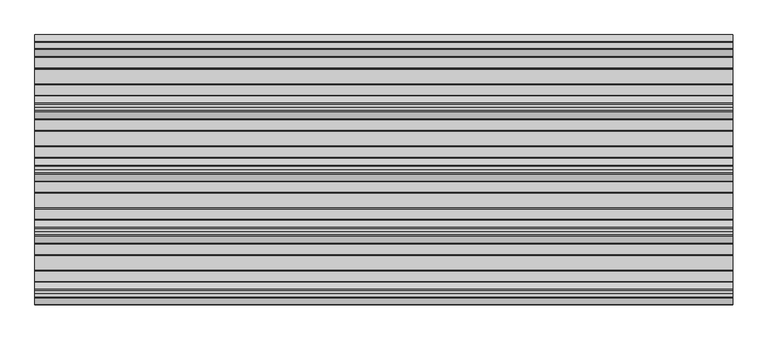
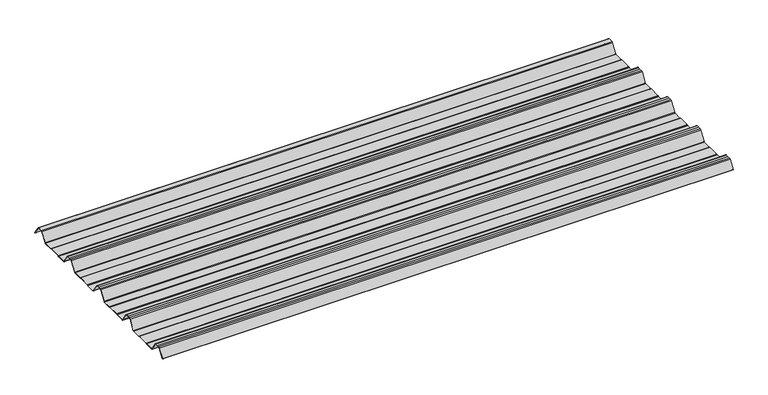
"""IFC4 building model written with IfcOpenShell, lengths in millimetres: beam geometry."""

from ifc_helpers import new_model, si_unit, point, frame, frame_2d, origin, place, context, project, spatial, polyline, circle_curve, trimmed, segment, composite_curve, outline, extrude, source, transform, mapped, element, save


def beam_cf137caa(model_context):
    return source(origin(), model_context, "Body", "SweptSolid", [
        extrude(outline(composite_curve([segment(trimmed(circle_curve(frame_2d((-42.8221294, -22.7927378)), 1.9969096), [point((-42.8221294, -24.7896475))], [point((-41.1570881, -23.8951378))], True, "CARTESIAN"), True, "CONTINUOUS"), segment(polyline([(-41.1570881, -23.8951378), (-15.2135106, 15.2894853)]), True, "CONTINUOUS"), segment(trimmed(circle_curve(frame_2d((-11.5, 12.6603525)), 4.55), [point((-15.2135106, 15.2894853))], [point((-11.5, 17.2103525))], False, "CARTESIAN"), True, "CONTINUOUS"), segment(polyline([(-11.5, 17.2103525), (11.5, 17.2103525)]), True, "CONTINUOUS"), segment(trimmed(circle_curve(frame_2d((11.5, 12.6603525)), 4.55), [point((11.5, 17.2103525))], [point((15.2135106, 15.2894853))], False, "CARTESIAN"), True, "CONTINUOUS"), segment(polyline([(15.2135106, 15.2894853), (40.2177712, -22.4764137)]), True, "CONTINUOUS"), segment(trimmed(circle_curve(frame_2d((39.8008667, -22.7524402)), 0.5), [point((40.2177712, -22.4764137))], [point((39.3839622, -23.0284667))], False, "CARTESIAN"), True, "CONTINUOUS"), segment(polyline([(39.3839622, -23.0284667), (14.3888612, 14.7235977)]), True, "CONTINUOUS"), segment(trimmed(circle_curve(frame_2d((11.5, 12.6603525)), 3.55), [point((14.3888612, 14.7235977))], [point((11.5, 16.2103525))], True, "CARTESIAN"), True, "CONTINUOUS"), segment(polyline([(11.5, 16.2103525), (-11.5, 16.2103525)]), True, "CONTINUOUS"), segment(trimmed(circle_curve(frame_2d((-11.5, 12.6603525)), 3.55), [point((-11.5, 16.2103525))], [point((-14.3888612, 14.7235977))], True, "CARTESIAN"), True, "CONTINUOUS"), segment(polyline([(-14.3888612, 14.7235977), (-40.3232791, -24.4471908)]), True, "CONTINUOUS"), segment(trimmed(circle_curve(frame_2d((-42.8221294, -22.7927378)), 2.9969096), [point((-40.3232791, -24.4471908))], [point((-42.8221294, -25.7896475))], False, "CARTESIAN"), True, "CONTINUOUS"), segment(polyline([(-42.8221294, -25.7896475), (-85.388552, -25.7896475)]), True, "CONTINUOUS"), segment(trimmed(circle_curve(frame_2d((-85.388552, -24.3396475)), 1.45), [point((-85.388552, -25.7896475))], [point((-86.3205937, -25.4504122))], False, "CARTESIAN"), True, "CONTINUOUS"), segment(polyline([(-86.3205937, -25.4504122), (-87.5888326, -24.386234)]), True, "CONTINUOUS"), segment(trimmed(circle_curve(frame_2d((-89.2279412, -26.3396487)), 2.5500012), [point((-87.5888326, -24.386234))], [point((-89.2279412, -23.7896475))], True, "CARTESIAN"), True, "CONTINUOUS"), segment(polyline([(-89.2279412, -23.7896475), (-143.2720588, -23.7896475)]), True, "CONTINUOUS"), segment(trimmed(circle_curve(frame_2d((-143.2720588, -26.3396487)), 2.5500012), [point((-143.2720588, -23.7896475))], [point((-144.9111674, -24.386234))], True, "CARTESIAN"), True, "CONTINUOUS"), segment(polyline([(-144.9111674, -24.386234), (-146.1794063, -25.4504122)]), True, "CONTINUOUS"), segment(trimmed(circle_curve(frame_2d((-147.111448, -24.3396475)), 1.45), [point((-146.1794063, -25.4504122))], [point((-147.111448, -25.7896475))], False, "CARTESIAN"), True, "CONTINUOUS"), segment(polyline([(-147.111448, -25.7896475), (-186.4999995, -25.7896475)]), True, "CONTINUOUS"), segment(trimmed(circle_curve(frame_2d((-186.4999995, -21.3396478)), 4.4499996), [point((-186.4999995, -25.7896475))], [point((-190.1531515, -23.8807062))], False, "CARTESIAN"), True, "CONTINUOUS"), segment(polyline([(-190.1531515, -23.8807062), (-216.4608773, 15.8539187)]), True, "CONTINUOUS"), segment(trimmed(circle_curve(frame_2d((-221.0, 12.6603525)), 5.55), [point((-216.4608773, 15.8539187))], [point((-221.0, 18.2103525))], True, "CARTESIAN"), True, "CONTINUOUS"), segment(polyline([(-221.0, 18.2103525), (-232.5, 18.2103525), (-244.0, 18.2103525)]), True, "CONTINUOUS"), segment(trimmed(circle_curve(frame_2d((-244.0, 12.6603525)), 5.55), [point((-244.0, 18.2103525))], [point((-248.5391227, 15.8539187))], True, "CARTESIAN"), True, "CONTINUOUS"), segment(polyline([(-248.5391227, 15.8539187), (-274.8468485, -23.8807062)]), True, "CONTINUOUS"), segment(trimmed(circle_curve(frame_2d((-278.5000005, -21.3396478)), 4.4499996), [point((-274.8468485, -23.8807062))], [point((-278.5000005, -25.7896475))], False, "CARTESIAN"), True, "CONTINUOUS"), segment(polyline([(-278.5000005, -25.7896475), (-317.888552, -25.7896475)]), True, "CONTINUOUS"), segment(trimmed(circle_curve(frame_2d((-317.888552, -24.3396475)), 1.45), [point((-317.888552, -25.7896475))], [point((-318.8205937, -25.4504122))], False, "CARTESIAN"), True, "CONTINUOUS"), segment(polyline([(-318.8205937, -25.4504122), (-320.0888326, -24.386234)]), True, "CONTINUOUS"), segment(trimmed(circle_curve(frame_2d((-321.7279412, -26.3396487)), 2.5500012), [point((-320.0888326, -24.386234))], [point((-321.7279412, -23.7896475))], True, "CARTESIAN"), True, "CONTINUOUS"), segment(polyline([(-321.7279412, -23.7896475), (-375.7720588, -23.7896475)]), True, "CONTINUOUS"), segment(trimmed(circle_curve(frame_2d((-375.7720588, -26.3396487)), 2.5500012), [point((-375.7720588, -23.7896475))], [point((-377.4111674, -24.386234))], True, "CARTESIAN"), True, "CONTINUOUS"), segment(polyline([(-377.4111674, -24.386234), (-378.6794063, -25.4504122)]), True, "CONTINUOUS"), segment(trimmed(circle_curve(frame_2d((-379.611448, -24.3396475)), 1.45), [point((-378.6794063, -25.4504122))], [point((-379.611448, -25.7896475))], False, "CARTESIAN"), True, "CONTINUOUS"), segment(polyline([(-379.611448, -25.7896475), (-418.9999995, -25.7896475)]), True, "CONTINUOUS"), segment(trimmed(circle_curve(frame_2d((-418.9999995, -21.3396478)), 4.4499996), [point((-418.9999995, -25.7896475))], [point((-422.6531515, -23.8807062))], False, "CARTESIAN"), True, "CONTINUOUS"), segment(polyline([(-422.6531515, -23.8807062), (-448.9608773, 15.8539187)]), True, "CONTINUOUS"), segment(trimmed(circle_curve(frame_2d((-453.5, 12.6603525)), 5.55), [point((-448.9608773, 15.8539187))], [point((-453.5, 18.2103525))], True, "CARTESIAN"), True, "CONTINUOUS"), segment(polyline([(-453.5, 18.2103525), (-465.0, 18.2103525), (-476.5, 18.2103525)]), True, "CONTINUOUS"), segment(trimmed(circle_curve(frame_2d((-476.5, 12.6603525)), 5.55), [point((-476.5, 18.2103525))], [point((-481.0391227, 15.8539187))], True, "CARTESIAN"), True, "CONTINUOUS"), segment(polyline([(-481.0391227, 15.8539187), (-507.3468485, -23.8807062)]), True, "CONTINUOUS"), segment(trimmed(circle_curve(frame_2d((-511.0000005, -21.3396478)), 4.4499996), [point((-507.3468485, -23.8807062))], [point((-511.0000005, -25.7896475))], False, "CARTESIAN"), True, "CONTINUOUS"), segment(polyline([(-511.0000005, -25.7896475), (-550.388552, -25.7896475)]), True, "CONTINUOUS"), segment(trimmed(circle_curve(frame_2d((-550.388552, -24.3396475)), 1.45), [point((-550.388552, -25.7896475))], [point((-551.3205937, -25.4504122))], False, "CARTESIAN"), True, "CONTINUOUS"), segment(polyline([(-551.3205937, -25.4504122), (-552.5888326, -24.386234)]), True, "CONTINUOUS"), segment(trimmed(circle_curve(frame_2d((-554.2279412, -26.3396487)), 2.5500012), [point((-552.5888326, -24.386234))], [point((-554.2279412, -23.7896475))], True, "CARTESIAN"), True, "CONTINUOUS"), segment(polyline([(-554.2279412, -23.7896475), (-608.2720588, -23.7896475)]), True, "CONTINUOUS"), segment(trimmed(circle_curve(frame_2d((-608.2720588, -26.3396487)), 2.5500012), [point((-608.2720588, -23.7896475))], [point((-609.9111674, -24.386234))], True, "CARTESIAN"), True, "CONTINUOUS"), segment(polyline([(-609.9111674, -24.386234), (-611.1794063, -25.4504122)]), True, "CONTINUOUS"), segment(trimmed(circle_curve(frame_2d((-612.111448, -24.3396475)), 1.45), [point((-611.1794063, -25.4504122))], [point((-612.111448, -25.7896475))], False, "CARTESIAN"), True, "CONTINUOUS"), segment(polyline([(-612.111448, -25.7896475), (-651.4999995, -25.7896475)]), True, "CONTINUOUS"), segment(trimmed(circle_curve(frame_2d((-651.4999995, -21.3396478)), 4.4499996), [point((-651.4999995, -25.7896475))], [point((-655.1531515, -23.8807062))], False, "CARTESIAN"), True, "CONTINUOUS"), segment(polyline([(-655.1531515, -23.8807062), (-681.4608773, 15.8539187)]), True, "CONTINUOUS"), segment(trimmed(circle_curve(frame_2d((-686.0, 12.6603525)), 5.55), [point((-681.4608773, 15.8539187))], [point((-686.0, 18.2103525))], True, "CARTESIAN"), True, "CONTINUOUS"), segment(polyline([(-686.0, 18.2103525), (-697.5, 18.2103525), (-709.0, 18.2103525)]), True, "CONTINUOUS"), segment(trimmed(circle_curve(frame_2d((-709.0, 12.6603525)), 5.55), [point((-709.0, 18.2103525))], [point((-713.5391227, 15.8539187))], True, "CARTESIAN"), True, "CONTINUOUS"), segment(polyline([(-713.5391227, 15.8539187), (-739.8468485, -23.8807062)]), True, "CONTINUOUS"), segment(trimmed(circle_curve(frame_2d((-743.5000005, -21.3396478)), 4.4499996), [point((-739.8468485, -23.8807062))], [point((-743.5000005, -25.7896475))], False, "CARTESIAN"), True, "CONTINUOUS"), segment(polyline([(-743.5000005, -25.7896475), (-782.888552, -25.7896475)]), True, "CONTINUOUS"), segment(trimmed(circle_curve(frame_2d((-782.888552, -24.3396475)), 1.45), [point((-782.888552, -25.7896475))], [point((-783.8205937, -25.4504122))], False, "CARTESIAN"), True, "CONTINUOUS"), segment(polyline([(-783.8205937, -25.4504122), (-785.0888326, -24.386234)]), True, "CONTINUOUS"), segment(trimmed(circle_curve(frame_2d((-786.7279412, -26.3396487)), 2.5500012), [point((-785.0888326, -24.386234))], [point((-786.7279412, -23.7896475))], True, "CARTESIAN"), True, "CONTINUOUS"), segment(polyline([(-786.7279412, -23.7896475), (-840.7720588, -23.7896475)]), True, "CONTINUOUS"), segment(trimmed(circle_curve(frame_2d((-840.7720588, -26.3396487)), 2.5500012), [point((-840.7720588, -23.7896475))], [point((-842.4111674, -24.386234))], True, "CARTESIAN"), True, "CONTINUOUS"), segment(polyline([(-842.4111674, -24.386234), (-843.6794063, -25.4504122)]), True, "CONTINUOUS"), segment(trimmed(circle_curve(frame_2d((-844.611448, -24.3396475)), 1.45), [point((-843.6794063, -25.4504122))], [point((-844.611448, -25.7896475))], False, "CARTESIAN"), True, "CONTINUOUS"), segment(polyline([(-844.611448, -25.7896475), (-883.9999995, -25.7896475)]), True, "CONTINUOUS"), segment(trimmed(circle_curve(frame_2d((-883.9999995, -21.3396478)), 4.4499996), [point((-883.9999995, -25.7896475))], [point((-887.6531515, -23.8807062))], False, "CARTESIAN"), True, "CONTINUOUS"), segment(polyline([(-887.6531515, -23.8807062), (-913.9608773, 15.8539187)]), True, "CONTINUOUS"), segment(trimmed(circle_curve(frame_2d((-918.5, 12.6603525)), 5.55), [point((-913.9608773, 15.8539187))], [point((-918.5, 18.2103525))], True, "CARTESIAN"), True, "CONTINUOUS"), segment(polyline([(-918.5, 18.2103525), (-930.0, 18.2103525), (-941.5, 18.2103525)]), True, "CONTINUOUS"), segment(trimmed(circle_curve(frame_2d((-941.5, 12.6603525)), 5.55), [point((-941.5, 18.2103525))], [point((-946.0391227, 15.8539187))], True, "CARTESIAN"), True, "CONTINUOUS"), segment(polyline([(-946.0391227, 15.8539187), (-969.9715304, -20.2930766)]), True, "CONTINUOUS"), segment(trimmed(circle_curve(frame_2d((-970.3884349, -20.0170501)), 0.5), [point((-969.9715304, -20.2930766))], [point((-970.8053395, -19.7410236))], False, "CARTESIAN"), True, "CONTINUOUS"), segment(polyline([(-970.8053395, -19.7410236), (-946.8654458, 16.4172784)]), True, "CONTINUOUS"), segment(trimmed(circle_curve(frame_2d((-941.5, 12.6603525)), 6.55), [point((-946.8654458, 16.4172784))], [point((-941.5, 19.2103525))], False, "CARTESIAN"), True, "CONTINUOUS"), segment(polyline([(-941.5, 19.2103525), (-930.0, 19.2103525), (-918.5, 19.2103525)]), True, "CONTINUOUS"), segment(trimmed(circle_curve(frame_2d((-918.5, 12.6603525)), 6.55), [point((-918.5, 19.2103525))], [point((-913.1345542, 16.4172784))], False, "CARTESIAN"), True, "CONTINUOUS"), segment(polyline([(-913.1345542, 16.4172784), (-886.8260739, -23.3184861)]), True, "CONTINUOUS"), segment(trimmed(circle_curve(frame_2d((-883.9999995, -21.3396478)), 3.4499996), [point((-886.8260739, -23.3184861))], [point((-883.9999995, -24.7896475))], True, "CARTESIAN"), True, "CONTINUOUS"), segment(polyline([(-883.9999995, -24.7896475), (-844.8915726, -24.7896475)]), True, "CONTINUOUS"), segment(trimmed(circle_curve(frame_2d((-844.8915726, -23.5700111)), 1.2196364), [point((-844.8915726, -24.7896475))], [point((-844.1076057, -24.504307))], True, "CARTESIAN"), True, "CONTINUOUS"), segment(polyline([(-844.1076057, -24.504307), (-843.0539548, -23.6201894)]), True, "CONTINUOUS"), segment(trimmed(circle_curve(frame_2d((-840.7720588, -26.3396487)), 3.5500012), [point((-843.0539548, -23.6201894))], [point((-840.7720588, -22.7896475))], False, "CARTESIAN"), True, "CONTINUOUS"), segment(polyline([(-840.7720588, -22.7896475), (-786.7279412, -22.7896475)]), True, "CONTINUOUS"), segment(trimmed(circle_curve(frame_2d((-786.7279412, -26.3396487)), 3.5500012), [point((-786.7279412, -22.7896475))], [point((-784.4460452, -23.6201894))], False, "CARTESIAN"), True, "CONTINUOUS"), segment(polyline([(-784.4460452, -23.6201894), (-783.3923943, -24.504307)]), True, "CONTINUOUS"), segment(trimmed(circle_curve(frame_2d((-782.6084274, -23.5700111)), 1.2196364), [point((-783.3923943, -24.504307))], [point((-782.6084274, -24.7896475))], True, "CARTESIAN"), True, "CONTINUOUS"), segment(polyline([(-782.6084274, -24.7896475), (-743.5000005, -24.7896475)]), True, "CONTINUOUS"), segment(trimmed(circle_curve(frame_2d((-743.5000005, -21.3396478)), 3.4499996), [point((-743.5000005, -24.7896475))], [point((-740.6739261, -23.3184861))], True, "CARTESIAN"), True, "CONTINUOUS"), segment(polyline([(-740.6739261, -23.3184861), (-714.3654458, 16.4172784)]), True, "CONTINUOUS"), segment(trimmed(circle_curve(frame_2d((-709.0, 12.6603525)), 6.55), [point((-714.3654458, 16.4172784))], [point((-709.0, 19.2103525))], False, "CARTESIAN"), True, "CONTINUOUS"), segment(polyline([(-709.0, 19.2103525), (-697.5, 19.2103525), (-686.0, 19.2103525)]), True, "CONTINUOUS"), segment(trimmed(circle_curve(frame_2d((-686.0, 12.6603525)), 6.55), [point((-686.0, 19.2103525))], [point((-680.6345542, 16.4172784))], False, "CARTESIAN"), True, "CONTINUOUS"), segment(polyline([(-680.6345542, 16.4172784), (-654.3260739, -23.3184861)]), True, "CONTINUOUS"), segment(trimmed(circle_curve(frame_2d((-651.4999995, -21.3396478)), 3.4499996), [point((-654.3260739, -23.3184861))], [point((-651.4999995, -24.7896475))], True, "CARTESIAN"), True, "CONTINUOUS"), segment(polyline([(-651.4999995, -24.7896475), (-612.3915726, -24.7896475)]), True, "CONTINUOUS"), segment(trimmed(circle_curve(frame_2d((-612.3915726, -23.5700111)), 1.2196364), [point((-612.3915726, -24.7896475))], [point((-611.6076057, -24.504307))], True, "CARTESIAN"), True, "CONTINUOUS"), segment(polyline([(-611.6076057, -24.504307), (-610.5539548, -23.6201894)]), True, "CONTINUOUS"), segment(trimmed(circle_curve(frame_2d((-608.2720588, -26.3396487)), 3.5500012), [point((-610.5539548, -23.6201894))], [point((-608.2720588, -22.7896475))], False, "CARTESIAN"), True, "CONTINUOUS"), segment(polyline([(-608.2720588, -22.7896475), (-554.2279412, -22.7896475)]), True, "CONTINUOUS"), segment(trimmed(circle_curve(frame_2d((-554.2279412, -26.3396487)), 3.5500012), [point((-554.2279412, -22.7896475))], [point((-551.9460452, -23.6201894))], False, "CARTESIAN"), True, "CONTINUOUS"), segment(polyline([(-551.9460452, -23.6201894), (-550.8923943, -24.504307)]), True, "CONTINUOUS"), segment(trimmed(circle_curve(frame_2d((-550.1084274, -23.5700111)), 1.2196364), [point((-550.8923943, -24.504307))], [point((-550.1084274, -24.7896475))], True, "CARTESIAN"), True, "CONTINUOUS"), segment(polyline([(-550.1084274, -24.7896475), (-511.0000005, -24.7896475)]), True, "CONTINUOUS"), segment(trimmed(circle_curve(frame_2d((-511.0000005, -21.3396478)), 3.4499996), [point((-511.0000005, -24.7896475))], [point((-508.1739261, -23.3184861))], True, "CARTESIAN"), True, "CONTINUOUS"), segment(polyline([(-508.1739261, -23.3184861), (-481.8654458, 16.4172784)]), True, "CONTINUOUS"), segment(trimmed(circle_curve(frame_2d((-476.5, 12.6603525)), 6.55), [point((-481.8654458, 16.4172784))], [point((-476.5, 19.2103525))], False, "CARTESIAN"), True, "CONTINUOUS"), segment(polyline([(-476.5, 19.2103525), (-465.0, 19.2103525), (-453.5, 19.2103525)]), True, "CONTINUOUS"), segment(trimmed(circle_curve(frame_2d((-453.5, 12.6603525)), 6.55), [point((-453.5, 19.2103525))], [point((-448.1345542, 16.4172784))], False, "CARTESIAN"), True, "CONTINUOUS"), segment(polyline([(-448.1345542, 16.4172784), (-421.8260739, -23.3184861)]), True, "CONTINUOUS"), segment(trimmed(circle_curve(frame_2d((-418.9999995, -21.3396478)), 3.4499996), [point((-421.8260739, -23.3184861))], [point((-418.9999995, -24.7896475))], True, "CARTESIAN"), True, "CONTINUOUS"), segment(polyline([(-418.9999995, -24.7896475), (-379.8915726, -24.7896475)]), True, "CONTINUOUS"), segment(trimmed(circle_curve(frame_2d((-379.8915726, -23.5700111)), 1.2196364), [point((-379.8915726, -24.7896475))], [point((-379.1076057, -24.504307))], True, "CARTESIAN"), True, "CONTINUOUS"), segment(polyline([(-379.1076057, -24.504307), (-378.0539548, -23.6201894)]), True, "CONTINUOUS"), segment(trimmed(circle_curve(frame_2d((-375.7720588, -26.3396487)), 3.5500012), [point((-378.0539548, -23.6201894))], [point((-375.7720588, -22.7896475))], False, "CARTESIAN"), True, "CONTINUOUS"), segment(polyline([(-375.7720588, -22.7896475), (-321.7279412, -22.7896475)]), True, "CONTINUOUS"), segment(trimmed(circle_curve(frame_2d((-321.7279412, -26.3396487)), 3.5500012), [point((-321.7279412, -22.7896475))], [point((-319.4460452, -23.6201894))], False, "CARTESIAN"), True, "CONTINUOUS"), segment(polyline([(-319.4460452, -23.6201894), (-318.3923943, -24.504307)]), True, "CONTINUOUS"), segment(trimmed(circle_curve(frame_2d((-317.6084274, -23.5700111)), 1.2196364), [point((-318.3923943, -24.504307))], [point((-317.6084274, -24.7896475))], True, "CARTESIAN"), True, "CONTINUOUS"), segment(polyline([(-317.6084274, -24.7896475), (-278.5000005, -24.7896475)]), True, "CONTINUOUS"), segment(trimmed(circle_curve(frame_2d((-278.5000005, -21.3396478)), 3.4499996), [point((-278.5000005, -24.7896475))], [point((-275.6739261, -23.3184861))], True, "CARTESIAN"), True, "CONTINUOUS"), segment(polyline([(-275.6739261, -23.3184861), (-249.3654458, 16.4172784)]), True, "CONTINUOUS"), segment(trimmed(circle_curve(frame_2d((-244.0, 12.6603525)), 6.55), [point((-249.3654458, 16.4172784))], [point((-244.0, 19.2103525))], False, "CARTESIAN"), True, "CONTINUOUS"), segment(polyline([(-244.0, 19.2103525), (-232.5, 19.2103525), (-221.0, 19.2103525)]), True, "CONTINUOUS"), segment(trimmed(circle_curve(frame_2d((-221.0, 12.6603525)), 6.55), [point((-221.0, 19.2103525))], [point((-215.6345542, 16.4172784))], False, "CARTESIAN"), True, "CONTINUOUS"), segment(polyline([(-215.6345542, 16.4172784), (-189.3260739, -23.3184861)]), True, "CONTINUOUS"), segment(trimmed(circle_curve(frame_2d((-186.4999995, -21.3396478)), 3.4499996), [point((-189.3260739, -23.3184861))], [point((-186.4999995, -24.7896475))], True, "CARTESIAN"), True, "CONTINUOUS"), segment(polyline([(-186.4999995, -24.7896475), (-147.3915726, -24.7896475)]), True, "CONTINUOUS"), segment(trimmed(circle_curve(frame_2d((-147.3915726, -23.5700111)), 1.2196364), [point((-147.3915726, -24.7896475))], [point((-146.6076057, -24.504307))], True, "CARTESIAN"), True, "CONTINUOUS"), segment(polyline([(-146.6076057, -24.504307), (-145.5539548, -23.6201894)]), True, "CONTINUOUS"), segment(trimmed(circle_curve(frame_2d((-143.2720588, -26.3396487)), 3.5500012), [point((-145.5539548, -23.6201894))], [point((-143.2720588, -22.7896475))], False, "CARTESIAN"), True, "CONTINUOUS"), segment(polyline([(-143.2720588, -22.7896475), (-89.2279412, -22.7896475)]), True, "CONTINUOUS"), segment(trimmed(circle_curve(frame_2d((-89.2279412, -26.3396487)), 3.5500012), [point((-89.2279412, -22.7896475))], [point((-86.9460452, -23.6201894))], False, "CARTESIAN"), True, "CONTINUOUS"), segment(polyline([(-86.9460452, -23.6201894), (-85.8923943, -24.504307)]), True, "CONTINUOUS"), segment(trimmed(circle_curve(frame_2d((-85.1084274, -23.5700111)), 1.2196364), [point((-85.8923943, -24.504307))], [point((-85.1084274, -24.7896475))], True, "CARTESIAN"), True, "CONTINUOUS"), segment(polyline([(-85.1084274, -24.7896475), (-42.8221294, -24.7896475)]), True, "CONTINUOUS")], self_intersect=False)), frame((-1305.1012987, 0.0, 0.0), z_axis=(1.0, 0.0, 0.0), x_axis=(0.0, 1.0, 0.0)), (0.0, 0.0, 1.0), 2610.2025973),
    ])


if __name__ == "__main__":
    model = new_model("IFC4")
    model_context = context("Model", 3, world=origin())
    ifc_project = project(units=[si_unit("LENGTHUNIT", "METRE", prefix="MILLI")], contexts=[model_context])
    site = spatial("IfcSite", under=ifc_project)
    building = spatial("IfcBuilding", under=site)
    placement = place(None, origin())
    beam_shape = beam_cf137caa(model_context)
    element("IfcBeam", 1, at=placement, inside=building, context=model_context, shape_type="MappedRepresentation", body=[
        mapped(beam_shape, transform((0.0, 0.0, 0.0), x_axis=(1.0, 0.0, 0.0), y_axis=(0.0, 1.0, 0.0), z_axis=(0.0, 0.0, 1.0))),
    ])
    save(model, "model.ifc")
